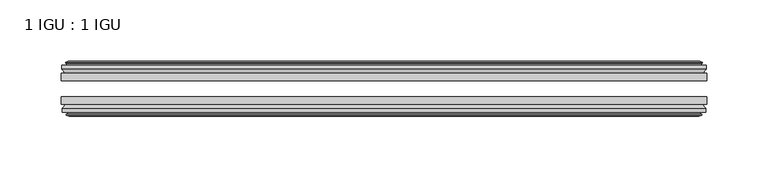
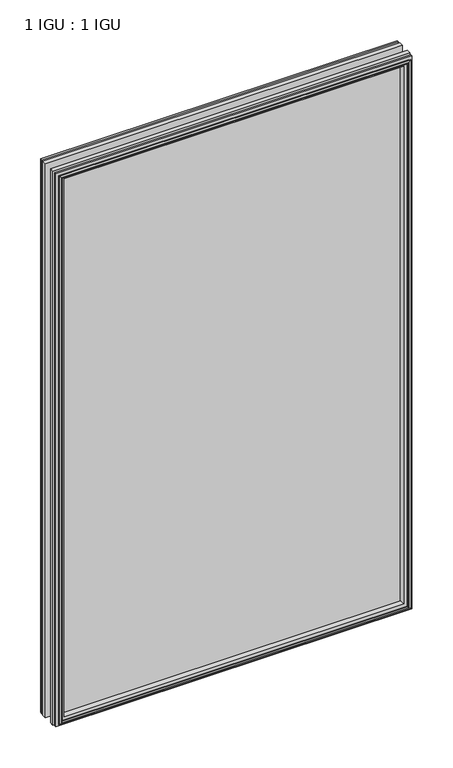
"""IFC4 building model written with IfcOpenShell, lengths in millimetres: plate geometry, 1 IGU : 1 IGU."""

from ifc_helpers import new_model, si_unit, frame, origin, place, context, project, spatial, polyline, outline, extrude, faceted_brep, source, transform, mapped, element, save


def plate_1_igu_1_igu_a6380407(model_context):
    return source(origin(), model_context, "Body", "SolidModel", [
        extrude(outline(polyline([(263.5249999, -19.5460937), (263.5249999, -25.8960938), (-263.5249999, -25.8960938), (-263.5249999, -19.5460937), (263.5249999, -19.5460937)])), frame((0.0, 0.0, -12.7), z_axis=(0.0, 0.0, 1.0), x_axis=(1.0, 0.0, 0.0)), (0.0, 0.0, 1.0), 863.6099403),
        extrude(outline(polyline([(-263.5249999, -44.9460938), (-263.5249999, -38.9186737), (263.5249999, -38.9186737), (263.5249999, -44.9460938), (-263.5249999, -44.9460938)])), frame((0.0, 0.0, -12.7), z_axis=(0.0, 0.0, 1.0), x_axis=(1.0, 0.0, 0.0)), (0.0, 0.0, 1.0), 863.6099403),
        faceted_brep([(-257.9369999, -53.6762907, 845.3219403), (-258.3179999, -51.2960937, 845.7029403), (-258.3179999, -51.2960937, -7.493), (-257.9369999, -53.6762907, -7.112), (-259.3525289, -53.2163575, 846.7374694), (-259.3525289, -53.2163575, -8.5275291), (-259.3525289, -54.0175717, 846.7374694), (-259.3525289, -54.0175717, -8.5275291), (-257.1749999, -54.7250937, 844.5599403), (-257.1749999, -54.7250937, -6.35), (-254.9974708, -54.0175717, 842.3824113), (-254.9974708, -54.0175717, -4.1724709), (-254.9974708, -53.2163575, 842.3824113), (-254.9974708, -53.2163575, -4.1724709), (-256.4129999, -53.6762907, 843.7979403), (-256.4129999, -53.6762907, -5.588), (-256.0319999, -51.2960937, 843.4169403), (-256.0319999, -51.2960937, -5.207), (-249.1072818, -44.9460937, 836.4922223), (-250.8249999, -51.2960937, 838.2099403), (-250.8249999, -51.2960937, 0.0), (-249.1072818, -44.9460937, 1.7177181), (-262.7629999, -48.3496937, 850.1479403), (-259.9286577, -44.9460937, 847.3135982), (-259.9286577, -44.9460937, -9.1036578), (-262.7629999, -48.3496937, -11.938), (-262.7629999, -51.2960937, 850.1479403), (-262.7629999, -51.2960937, -11.938), (258.3179999, -51.2960938, -7.493), (257.9369999, -53.6762907, -7.112), (259.3525289, -53.2163575, -8.5275291), (259.3525289, -54.0175717, -8.5275291), (257.1749999, -54.7250937, -6.35), (254.9974708, -54.0175717, -4.1724709), (254.9974708, -53.2163575, -4.1724709), (256.4129999, -53.6762907, -5.588), (256.0319999, -51.2960937, -5.207), (250.8249999, -51.2960937, 0.0), (249.1072818, -44.9460937, 1.7177181), (259.9286577, -44.9460937, -9.1036578), (262.7629999, -48.3496937, -11.938), (262.7629999, -51.2960938, -11.938), (258.3179999, -51.2960938, 845.7029403), (257.9369999, -53.6762907, 845.3219403), (259.3525289, -53.2163575, 846.7374694), (259.3525289, -54.0175717, 846.7374694), (257.1749999, -54.7250937, 844.5599403), (254.9974708, -54.0175717, 842.3824113), (254.9974708, -53.2163575, 842.3824113), (256.4129999, -53.6762907, 843.7979403), (256.0319999, -51.2960937, 843.4169403), (250.8249999, -51.2960937, 838.2099403), (249.1072818, -44.9460937, 836.4922223), (259.9286577, -44.9460937, 847.3135982), (262.7629999, -48.3496937, 850.1479403), (262.7629999, -51.2960938, 850.1479403)], [[[0, 1, 2, 3]], [[4, 0, 3, 5]], [[6, 4, 5, 7]], [[8, 6, 7, 9]], [[10, 8, 9, 11]], [[12, 10, 11, 13]], [[14, 12, 13, 15]], [[16, 14, 15, 17]], [[18, 19, 20, 21]], [[22, 23, 24, 25]], [[26, 22, 25, 27]], [[3, 2, 28, 29]], [[5, 3, 29, 30]], [[7, 5, 30, 31]], [[9, 7, 31, 32]], [[11, 9, 32, 33]], [[13, 11, 33, 34]], [[15, 13, 34, 35]], [[17, 15, 35, 36]], [[21, 20, 37, 38]], [[25, 24, 39, 40]], [[27, 25, 40, 41]], [[29, 28, 42, 43]], [[30, 29, 43, 44]], [[31, 30, 44, 45]], [[32, 31, 45, 46]], [[33, 32, 46, 47]], [[34, 33, 47, 48]], [[35, 34, 48, 49]], [[36, 35, 49, 50]], [[38, 37, 51, 52]], [[40, 39, 53, 54]], [[41, 40, 54, 55]], [[27, 41, 55, 26], [1, 42, 28, 2]], [[43, 42, 1, 0]], [[44, 43, 0, 4]], [[45, 44, 4, 6]], [[46, 45, 6, 8]], [[47, 46, 8, 10]], [[48, 47, 10, 12]], [[49, 48, 12, 14]], [[50, 49, 14, 16]], [[17, 36, 50, 16], [19, 51, 37, 20]], [[52, 51, 19, 18]], [[23, 53, 39, 24], [21, 38, 52, 18]], [[54, 53, 23, 22]], [[55, 54, 22, 26]]]),
        faceted_brep([(-260.4493577, -19.5460937, 847.8342982), (-263.2836999, -16.1424937, 850.6686403), (-263.2836999, -16.1424937, -12.4587), (-260.4493577, -19.5460937, -9.6243578), (-251.3456999, -13.1960937, 838.7306403), (-249.6279818, -19.5460937, 837.0129223), (-249.6279818, -19.5460937, 1.1970181), (-251.3456999, -13.1960937, -0.5207), (-256.9336999, -10.8158968, 844.3186403), (-256.5526999, -13.1960937, 843.9376403), (-256.5526999, -13.1960937, -5.7277), (-256.9336999, -10.8158968, -6.1087), (-255.5181708, -11.27583, 842.9031113), (-255.5181708, -11.27583, -4.6931709), (-255.5181708, -10.4746158, 842.9031113), (-255.5181708, -10.4746158, -4.6931709), (-257.6956999, -9.7670937, 845.0806403), (-257.6956999, -9.7670937, -6.8707), (-259.8732289, -10.4746158, 847.2581694), (-259.8732289, -10.4746158, -9.0482291), (-259.8732289, -11.27583, 847.2581694), (-259.8732289, -11.27583, -9.0482291), (-258.4576999, -10.8158968, 845.8426403), (-258.4576999, -10.8158968, -7.6327), (-258.8386999, -13.1960937, 846.2236403), (-258.8386999, -13.1960937, -8.0137), (-263.2836999, -13.1960937, 850.6686403), (-263.2836999, -13.1960937, -12.4587), (263.2836999, -16.1424937, -12.4587), (260.4493577, -19.5460937, -9.6243578), (249.6279818, -19.5460937, 1.1970181), (251.3456999, -13.1960937, -0.5207), (256.5526999, -13.1960937, -5.7277), (256.9336999, -10.8158968, -6.1087), (255.5181708, -11.27583, -4.6931709), (255.5181708, -10.4746158, -4.6931709), (257.6956999, -9.7670937, -6.8707), (259.8732289, -10.4746158, -9.0482291), (259.8732289, -11.27583, -9.0482291), (258.4576999, -10.8158968, -7.6327), (258.8386999, -13.1960937, -8.0137), (263.2836999, -13.1960937, -12.4587), (263.2836999, -16.1424937, 850.6686403), (260.4493577, -19.5460937, 847.8342982), (249.6279818, -19.5460937, 837.0129223), (251.3456999, -13.1960937, 838.7306403), (256.5526999, -13.1960937, 843.9376403), (256.9336999, -10.8158968, 844.3186403), (255.5181708, -11.27583, 842.9031113), (255.5181708, -10.4746158, 842.9031113), (257.6956999, -9.7670937, 845.0806403), (259.8732289, -10.4746158, 847.2581694), (259.8732289, -11.27583, 847.2581694), (258.4576999, -10.8158968, 845.8426403), (258.8386999, -13.1960937, 846.2236403), (263.2836999, -13.1960937, 850.6686403)], [[[0, 1, 2, 3]], [[4, 5, 6, 7]], [[8, 9, 10, 11]], [[12, 8, 11, 13]], [[14, 12, 13, 15]], [[16, 14, 15, 17]], [[18, 16, 17, 19]], [[20, 18, 19, 21]], [[22, 20, 21, 23]], [[24, 22, 23, 25]], [[1, 26, 27, 2]], [[3, 2, 28, 29]], [[7, 6, 30, 31]], [[11, 10, 32, 33]], [[13, 11, 33, 34]], [[15, 13, 34, 35]], [[17, 15, 35, 36]], [[19, 17, 36, 37]], [[21, 19, 37, 38]], [[23, 21, 38, 39]], [[25, 23, 39, 40]], [[2, 27, 41, 28]], [[29, 28, 42, 43]], [[31, 30, 44, 45]], [[33, 32, 46, 47]], [[34, 33, 47, 48]], [[35, 34, 48, 49]], [[36, 35, 49, 50]], [[37, 36, 50, 51]], [[38, 37, 51, 52]], [[39, 38, 52, 53]], [[40, 39, 53, 54]], [[28, 41, 55, 42]], [[43, 42, 1, 0]], [[3, 29, 43, 0], [5, 44, 30, 6]], [[45, 44, 5, 4]], [[9, 46, 32, 10], [7, 31, 45, 4]], [[47, 46, 9, 8]], [[48, 47, 8, 12]], [[49, 48, 12, 14]], [[50, 49, 14, 16]], [[51, 50, 16, 18]], [[52, 51, 18, 20]], [[53, 52, 20, 22]], [[54, 53, 22, 24]], [[26, 55, 41, 27], [25, 40, 54, 24]], [[42, 55, 26, 1]]]),
    ])


if __name__ == "__main__":
    model = new_model("IFC4")
    model_context = context("Model", 3, world=origin())
    ifc_project = project(units=[si_unit("LENGTHUNIT", "METRE", prefix="MILLI")], contexts=[model_context])
    site = spatial("IfcSite", under=ifc_project)
    building = spatial("IfcBuilding", under=site)
    placement = place(None, origin())
    plate_1_igu_1_igu_shape = plate_1_igu_1_igu_a6380407(model_context)
    element("IfcPlate", 1, ObjectType="1 IGU : 1 IGU", at=placement, inside=building, context=model_context, shape_type="MappedRepresentation", body=[
        mapped(plate_1_igu_1_igu_shape, transform((0.0, 0.0, 0.0), x_axis=(1.0, 0.0, 0.0), y_axis=(0.0, 1.0, 0.0), z_axis=(0.0, 0.0, 1.0))),
    ])
    save(model, "model.ifc")
